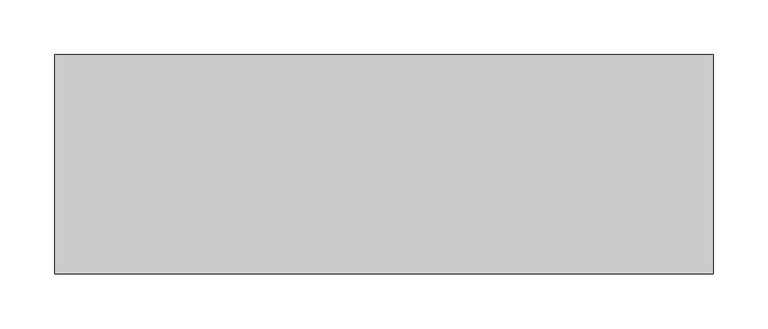
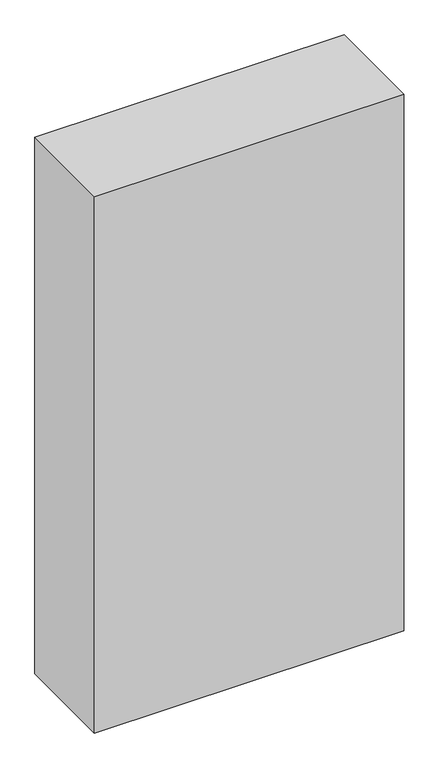
"""IFC4 building model written with IfcOpenShell, lengths in millimetres: flow terminal geometry."""

from ifc_helpers import new_model, si_unit, origin, origin_with_axes, place, context, project, spatial, polyline, outline, extrude, source, transform, mapped, element, save


def flow_terminal_b5734977(model_context):
    return source(origin(), model_context, "Body", "SweptSolid", [
        extrude(outline(polyline([(300.0, 0.0), (300.0, -200.0), (-300.0, -200.0), (-300.0, 0.0), (300.0, 0.0)])), origin_with_axes(), (0.0, 0.0, 1.0), 1100.0),
    ])


if __name__ == "__main__":
    model = new_model("IFC4")
    model_context = context("Model", 3, world=origin())
    ifc_project = project(units=[si_unit("LENGTHUNIT", "METRE", prefix="MILLI")], contexts=[model_context])
    site = spatial("IfcSite", under=ifc_project)
    building = spatial("IfcBuilding", under=site)
    placement = place(None, origin())
    flow_terminal_shape = flow_terminal_b5734977(model_context)
    element("IfcFlowTerminal", 1, at=placement, inside=building, context=model_context, shape_type="MappedRepresentation", body=[
        mapped(flow_terminal_shape, transform((0.0, 0.0, 0.0), x_axis=(1.0, 0.0, 0.0), y_axis=(0.0, 1.0, 0.0), z_axis=(0.0, 0.0, 1.0))),
    ])
    save(model, "model.ifc")
